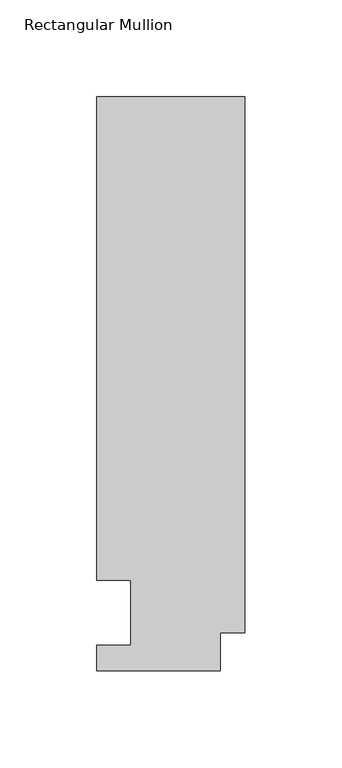
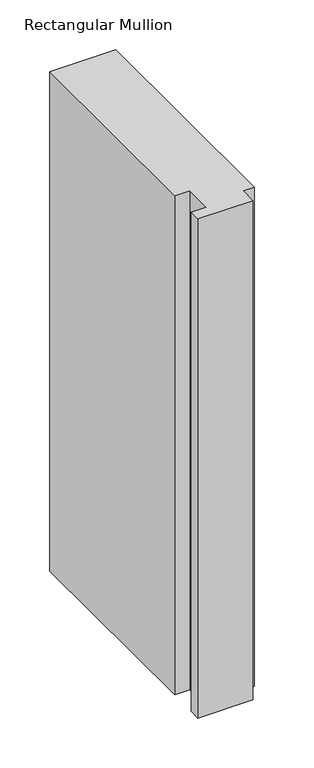
"""IFC4 building model written with IfcOpenShell, lengths in millimetres: member geometry, Rectangular Mullion."""

from ifc_helpers import new_model, si_unit, frame, origin, place, context, project, spatial, polyline, outline, extrude, source, transform, mapped, element, save


def rectangular_mullion_562ed7db(model_context):
    return source(origin(), model_context, "Body", "SweptSolid", [
        extrude(outline(polyline([(-76.2, 13.224358), (-58.7676635, 13.224358), (-58.7676635, 46.7447302), (-76.2000001, 46.7447302), (-76.2000001, 295.9695313), (0.0, 295.9695313), (0.0, 19.574358), (-12.7, 19.574358), (-12.7, 0.041758), (-76.2, 0.041758), (-76.2, 13.224358)])), frame((0.0, 0.0, -609.6), z_axis=(0.0, 0.0, 1.0), x_axis=(1.0, 0.0, 0.0)), (0.0, 0.0, 1.0), 609.6),
    ])


if __name__ == "__main__":
    model = new_model("IFC4")
    model_context = context("Model", 3, world=origin())
    ifc_project = project(units=[si_unit("LENGTHUNIT", "METRE", prefix="MILLI")], contexts=[model_context])
    site = spatial("IfcSite", under=ifc_project)
    building = spatial("IfcBuilding", under=site)
    placement = place(None, origin())
    rectangular_mullion_shape = rectangular_mullion_562ed7db(model_context)
    element("IfcMember", 1, ObjectType="Rectangular Mullion", at=placement, inside=building, context=model_context, shape_type="MappedRepresentation", body=[
        mapped(rectangular_mullion_shape, transform((0.0, 0.0, 0.0), x_axis=(1.0, 0.0, 0.0), y_axis=(0.0, 1.0, 0.0), z_axis=(0.0, 0.0, 1.0))),
    ])
    save(model, "model.ifc")
